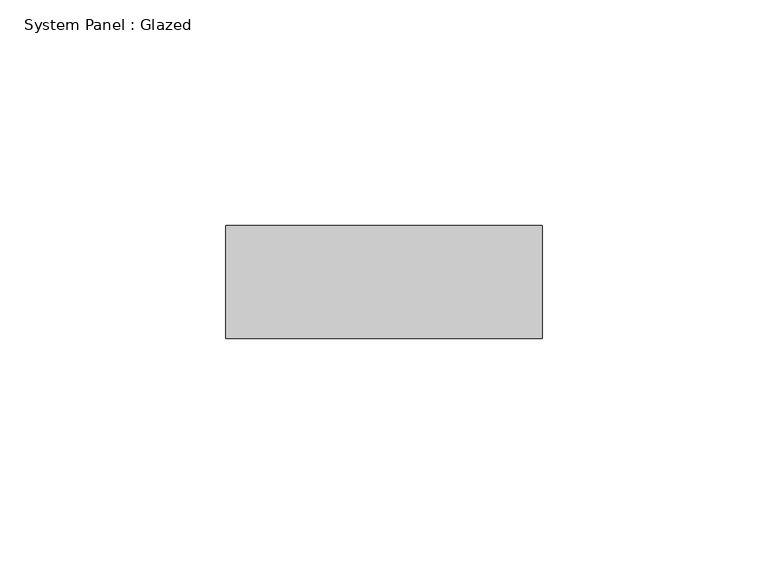
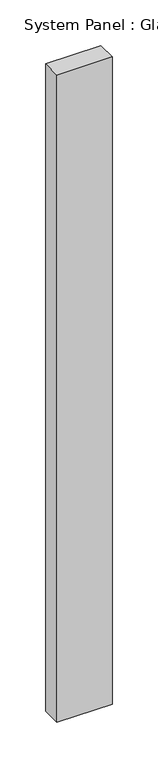
"""IFC4 building model written with IfcOpenShell, lengths in millimetres: plate geometry, System Panel : Glazed."""

from ifc_helpers import new_model, si_unit, origin, origin_with_axes, place, context, project, spatial, polyline, outline, extrude, source, transform, mapped, element, save


def system_panel_glazed_c3996650(model_context):
    return source(origin(), model_context, "Body", "SweptSolid", [
        extrude(outline(polyline([(35.0, 24.5), (-35.0, 24.5), (-35.0, 49.5), (35.0, 49.5), (35.0, 24.5)])), origin_with_axes(), (0.0, 0.0, 1.0), 868.3333333),
    ])


if __name__ == "__main__":
    model = new_model("IFC4")
    model_context = context("Model", 3, world=origin())
    ifc_project = project(units=[si_unit("LENGTHUNIT", "METRE", prefix="MILLI")], contexts=[model_context])
    site = spatial("IfcSite", under=ifc_project)
    building = spatial("IfcBuilding", under=site)
    placement = place(None, origin())
    system_panel_glazed_shape = system_panel_glazed_c3996650(model_context)
    element("IfcPlate", 1, ObjectType="System Panel : Glazed", at=placement, inside=building, context=model_context, shape_type="MappedRepresentation", body=[
        mapped(system_panel_glazed_shape, transform((0.0, 0.0, 0.0), x_axis=(1.0, 0.0, 0.0), y_axis=(0.0, 1.0, 0.0), z_axis=(0.0, 0.0, 1.0))),
    ])
    save(model, "model.ifc")
